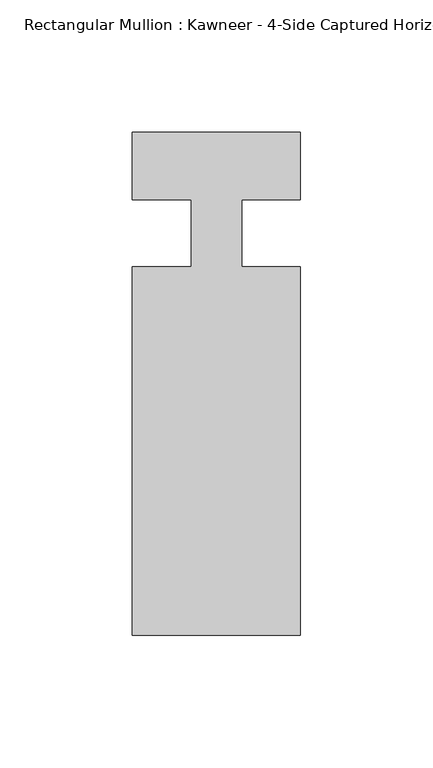
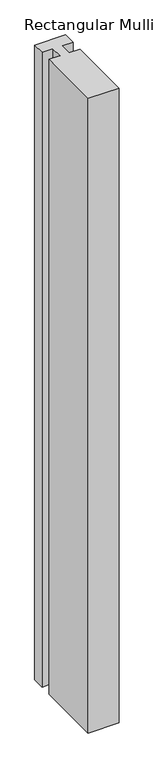
"""IFC4 building model written with IfcOpenShell, lengths in millimetres: member geometry."""

import ifcopenshell
import ifcopenshell.guid

model = None  # the IFC model being written
_history = None  # IfcOwnerHistory: only IFC2X3 demands one
_inside = {}  # id of a spatial element -> (the spatial element, [elements in it])
_under = {}  # id of a project, library or spatial element -> (it, [spatial elements below it])
_declared = {}  # id of a project -> (the project, [libraries it declares])
_typed = {}  # id of a type object -> (the type object, [elements of that type])
_made_of = {}  # id of a material, layer set ... -> (it, [elements and type objects made of it])


def new_model(schema):
    """Start an empty IFC model of exactly this schema.

    Asked for "IFC4X3", IfcOpenShell would pick the latest addendum, in which some entities
    have other attributes; the version numbers below select the first issue.
    IFC2X3 requires an IfcOwnerHistory on every rooted entity: one is made here for all.
    """
    global model, _history
    if schema == "IFC4X3":
        model = ifcopenshell.file(schema_version=(4, 3, 0, 0))
    else:
        model = ifcopenshell.file(schema=schema)
    _inside.clear()
    _under.clear()
    _declared.clear()
    _typed.clear()
    _made_of.clear()
    _history = None
    if model.schema == "IFC2X3":
        org = make("IfcOrganization", Name="unknown")
        user = make(
            "IfcPersonAndOrganization",
            ThePerson=make("IfcPerson", FamilyName="unknown"),
            TheOrganization=org,
        )
        app = make(
            "IfcApplication",
            ApplicationDeveloper=org,
            Version="unknown",
            ApplicationFullName="unknown",
            ApplicationIdentifier="unknown",
        )
        _history = make(
            "IfcOwnerHistory",
            OwningUser=user,
            OwningApplication=app,
            ChangeAction="ADDED",
            CreationDate=0,
        )
    return model


def make(cls, **values):
    """One entity of the class cls with the attributes given. An attribute that is None is left unset."""
    return model.create_entity(
        cls, **{name: value for name, value in values.items() if value is not None}
    )


def rooted(cls, **values):
    """An entity with a GlobalId (a new one), such as an element, a storey or a relation."""
    return make(cls, GlobalId=ifcopenshell.guid.new(), OwnerHistory=_history, **values)


def si_unit(unit_type, name, prefix=None):
    """IfcSIUnit, for example si_unit("LENGTHUNIT", "METRE", prefix="MILLI")."""
    return make("IfcSIUnit", UnitType=unit_type, Prefix=prefix, Name=name)


def assignment(units):
    """IfcUnitAssignment: the units of a project."""
    return None if units is None else make("IfcUnitAssignment", Units=units)


def point(xyz):
    """IfcCartesianPoint."""
    return None if xyz is None else make("IfcCartesianPoint", Coordinates=xyz)


def direction(xyz):
    """IfcDirection."""
    return None if xyz is None else make("IfcDirection", DirectionRatios=xyz)


def frame(location, z_axis=None, x_axis=None):
    """IfcAxis2Placement3D, a coordinate frame: its origin and axes. An axis left out is left unset."""
    return make(
        "IfcAxis2Placement3D",
        Location=point(location),
        Axis=direction(z_axis),
        RefDirection=direction(x_axis),
    )


def origin():
    """The frame at (0, 0, 0) with its axes left unset."""
    return frame((0.0, 0.0, 0.0))


def place(relative_to, where):
    """IfcLocalPlacement: puts the frame where relative to a parent placement (None: the world)."""
    return make(
        "IfcLocalPlacement", PlacementRelTo=relative_to, RelativePlacement=where
    )


def context(
    kind, dimensions, precision=None, world=None, true_north=None, identifier=None
):
    """IfcGeometricRepresentationContext, for example the 3D "Model" context."""
    return make(
        "IfcGeometricRepresentationContext",
        ContextIdentifier=identifier,
        ContextType=kind,
        CoordinateSpaceDimension=dimensions,
        Precision=precision,
        WorldCoordinateSystem=world,
        TrueNorth=true_north,
    )


def project(units=None, contexts=None):
    """IfcProject with its units and contexts."""
    return rooted(
        "IfcProject",
        Name="project",
        RepresentationContexts=contexts,
        UnitsInContext=assignment(units),
    )


def spatial(cls, under=None, at=None, **own):
    """A site, building, storey or space (cls), placed at a placement, below another one or the project."""
    s = rooted(cls, ObjectPlacement=at, **own)
    if under is not None:
        _under.setdefault(under.id(), (under, []))[1].append(s)
    return s


def polyline(points):
    """IfcPolyline through the points."""
    return make("IfcPolyline", Points=[point(p) for p in points])


def outline(outer, holes=None, kind="AREA"):
    """IfcArbitraryClosedProfileDef: a profile drawn as a closed curve; with holes, ...WithVoids."""
    if holes is None:
        return make("IfcArbitraryClosedProfileDef", ProfileType=kind, OuterCurve=outer)
    return make(
        "IfcArbitraryProfileDefWithVoids",
        ProfileType=kind,
        OuterCurve=outer,
        InnerCurves=holes,
    )


def extrude(swept, where, along, depth):
    """IfcExtrudedAreaSolid: the profile swept, set in the frame where, extruded along a direction by depth."""
    return make(
        "IfcExtrudedAreaSolid",
        SweptArea=swept,
        Position=where,
        ExtrudedDirection=direction(along),
        Depth=depth,
    )


def shape(context_of_items, identifier, shape_type, items):
    """IfcShapeRepresentation: the items that make up one representation, for example the "Body"."""
    return make(
        "IfcShapeRepresentation",
        ContextOfItems=context_of_items,
        RepresentationIdentifier=identifier,
        RepresentationType=shape_type,
        Items=items,
    )


def source(mapping_origin, context_of_items, identifier, shape_type, items):
    """IfcRepresentationMap: a shape defined once, which mapped items show again and again."""
    return make(
        "IfcRepresentationMap",
        MappingOrigin=mapping_origin,
        MappedRepresentation=shape(context_of_items, identifier, shape_type, items),
    )


def transform(
    local_origin,
    x_axis=None,
    y_axis=None,
    z_axis=None,
    scale=None,
    scale2=None,
    scale3=None,
    uniform=True,
):
    """IfcCartesianTransformationOperator3D, or its non-uniform kind. x_axis, y_axis, z_axis: its Axis1, 2, 3."""
    if uniform:
        return make(
            "IfcCartesianTransformationOperator3D",
            Axis1=direction(x_axis),
            Axis2=direction(y_axis),
            LocalOrigin=point(local_origin),
            Scale=scale,
            Axis3=direction(z_axis),
        )
    return make(
        "IfcCartesianTransformationOperator3DnonUniform",
        Axis1=direction(x_axis),
        Axis2=direction(y_axis),
        LocalOrigin=point(local_origin),
        Scale=scale,
        Axis3=direction(z_axis),
        Scale2=scale2,
        Scale3=scale3,
    )


def mapped(mapping_source, mapping_target):
    """IfcMappedItem: shows the shape of a source again, moved by a transform."""
    return make(
        "IfcMappedItem", MappingSource=mapping_source, MappingTarget=mapping_target
    )


def made_of(thing, what):
    """Note that an element or type object is made of a material, layer set ...; save() writes the relation."""
    if what is not None:
        _made_of.setdefault(what.id(), (what, []))[1].append(thing)
    return thing


def element(
    cls,
    number,
    at=None,
    inside=None,
    cuts=None,
    type_object=None,
    material=None,
    context=None,
    identifier="Body",
    shape_type=None,
    held_by="IfcProductDefinitionShape",
    body=None,
    shapes=None,
    **own,
):
    """One element of the class cls, such as IfcWall. Its Tag is "e" and its number.

    at: its placement. inside: the storey or other place that contains it. cuts: it is an
    opening in that element (IfcRelVoidsElement). A single representation is given by context,
    identifier, shape_type and body (its items); several are given by shapes. held_by: the class
    of the entity that holds the representations. save() writes the other relations.
    """
    e = rooted(cls, Tag="e%d" % number, ObjectPlacement=at, **own)
    if body is not None:
        shapes = [shape(context, identifier, shape_type, body)]
    if shapes is not None:
        e.Representation = make(held_by, Representations=shapes)
    if inside is not None:
        _inside.setdefault(inside.id(), (inside, []))[1].append(e)
    if cuts is not None:
        rooted(
            "IfcRelVoidsElement", RelatingBuildingElement=cuts, RelatedOpeningElement=e
        )
    if type_object is not None:
        _typed.setdefault(type_object.id(), (type_object, []))[1].append(e)
    return made_of(e, material)


def aggregate(whole, parts):
    """IfcRelAggregates: a whole, such as a stair, and the parts it consists of."""
    return rooted("IfcRelAggregates", RelatingObject=whole, RelatedObjects=parts)


def save(model, path):
    """Write the relations noted so far, then the file.

    IfcRelAggregates (storeys below a building ...), IfcRelContainedInSpatialStructure (elements
    in a storey), IfcRelDefinesByType, IfcRelAssociatesMaterial and IfcRelDeclares: one each for
    every whole, place, type object, material and project.
    """
    for whole, parts in _under.values():
        aggregate(whole, parts)
    for where, things in _inside.values():
        rooted(
            "IfcRelContainedInSpatialStructure",
            RelatedElements=things,
            RelatingStructure=where,
        )
    for kind, things in _typed.values():
        rooted("IfcRelDefinesByType", RelatedObjects=things, RelatingType=kind)
    for what, things in _made_of.values():
        rooted("IfcRelAssociatesMaterial", RelatedObjects=things, RelatingMaterial=what)
    for by, libraries in _declared.values():
        rooted("IfcRelDeclares", RelatingContext=by, RelatedDefinitions=libraries)
    model.write(path)


def member_039f59e8(model_context):
    return source(origin(), model_context, "Body", "SweptSolid", [
        extrude(outline(polyline([(-9.525, 12.7), (-31.75, 12.7), (-31.75, 38.1), (31.75, 38.1), (31.75, 12.7), (9.5251132, 12.7), (9.5251132, -12.7), (31.75, -12.7), (31.75, -151.892), (-31.75, -151.892), (-31.75, -12.7), (-9.525, -12.7), (-9.525, 12.7)])), frame((0.0, 0.0, -1376.8150925), z_axis=(0.0, 0.0, 1.0), x_axis=(1.0, 0.0, 0.0)), (0.0, 0.0, 1.0), 1376.8150925),
    ])


if __name__ == "__main__":
    model = new_model("IFC4")
    model_context = context("Model", 3, world=origin())
    ifc_project = project(units=[si_unit("LENGTHUNIT", "METRE", prefix="MILLI")], contexts=[model_context])
    site = spatial("IfcSite", under=ifc_project)
    building = spatial("IfcBuilding", under=site)
    placement = place(None, origin())
    member_shape = member_039f59e8(model_context)
    element("IfcMember", 1, ObjectType="Rectangular Mullion : Kawneer - 4-Side Captured Horizontal Mullion - 7 1/2\"", at=placement, inside=building, context=model_context, shape_type="MappedRepresentation", body=[
        mapped(member_shape, transform((0.0, 0.0, 0.0), x_axis=(1.0, 0.0, 0.0), y_axis=(0.0, 1.0, 0.0), z_axis=(0.0, 0.0, 1.0))),
    ])
    save(model, "model.ifc")
